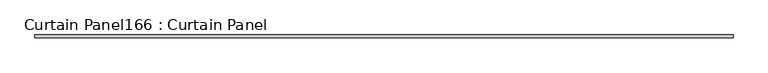
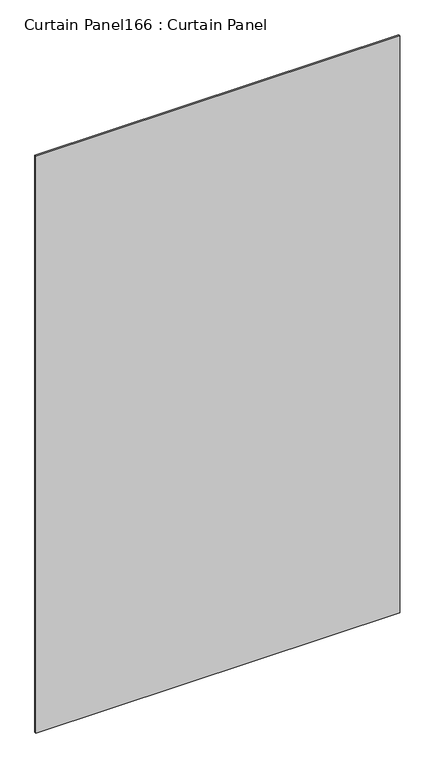
"""IFC4 building model written with IfcOpenShell, lengths in millimetres: plate geometry, Curtain Panel166 : Curtain Panel."""

from ifc_helpers import new_model, si_unit, frame, origin, place, context, project, spatial, polyline, outline, extrude, source, transform, mapped, element, save


def curtain_panel166_curtain_panel_56479005(model_context):
    return source(origin(), model_context, "Body", "SweptSolid", [
        extrude(outline(polyline([(456335.1898115, 2305.3839321), (450289.9898115, 2305.3839321), (450289.9898115, 2330.7839321), (456335.1898115, 2330.7839321), (456335.1898115, 2305.3839321)])), frame((0.0, 0.0, 5171.9382155), z_axis=(0.0, 0.0, 1.0), x_axis=(1.0, 0.0, 0.0)), (0.0, 0.0, 1.0), 10124.8762465),
    ])


if __name__ == "__main__":
    model = new_model("IFC4")
    model_context = context("Model", 3, world=origin())
    ifc_project = project(units=[si_unit("LENGTHUNIT", "METRE", prefix="MILLI")], contexts=[model_context])
    site = spatial("IfcSite", under=ifc_project)
    building = spatial("IfcBuilding", under=site)
    placement = place(None, origin())
    curtain_panel166_curtain_panel_shape = curtain_panel166_curtain_panel_56479005(model_context)
    element("IfcPlate", 1, ObjectType="Curtain Panel166 : Curtain Panel", at=placement, inside=building, context=model_context, shape_type="MappedRepresentation", body=[
        mapped(curtain_panel166_curtain_panel_shape, transform((0.0, 0.0, 0.0), x_axis=(1.0, 0.0, 0.0), y_axis=(0.0, 1.0, 0.0), z_axis=(0.0, 0.0, 1.0))),
    ])
    save(model, "model.ifc")
